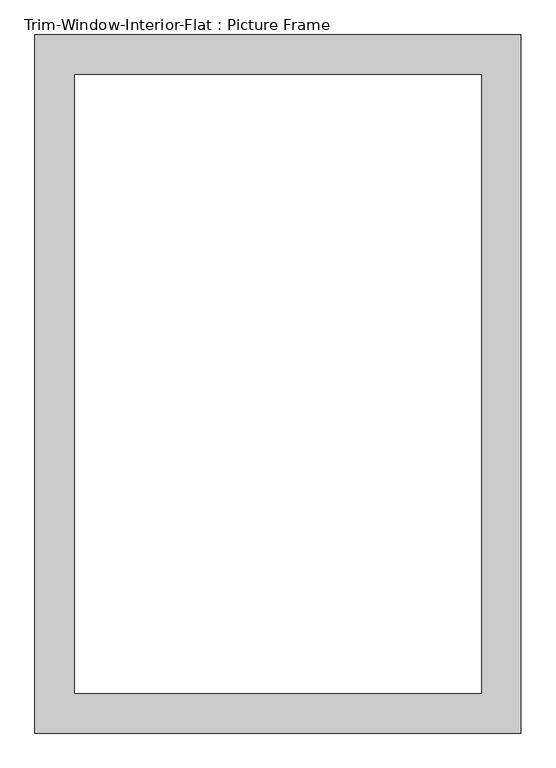
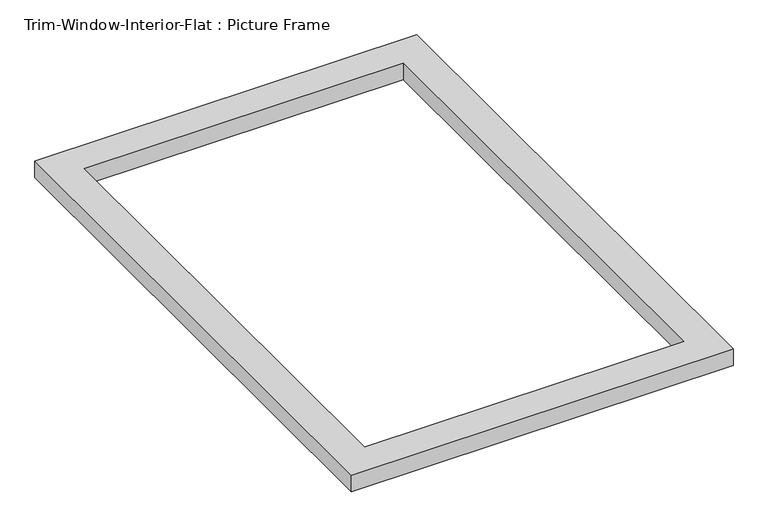
"""IFC4 building model written with IfcOpenShell, lengths in millimetres: proxy geometry, Trim-Window-Interior-Flat : Picture Frame."""

from ifc_helpers import new_model, si_unit, origin, origin_with_axes, place, context, project, spatial, polyline, outline, extrude, source, transform, mapped, element, save


def trim_window_interior_flat_picture_frame_dfd23ff3(model_context):
    return source(origin(), model_context, "Body", "SweptSolid", [
        extrude(outline(polyline([(349.25, -44.45), (-349.25, -44.45), (-349.25, 958.85), (349.25, 958.85), (349.25, -44.45)]), holes=[polyline([(292.1, 12.7), (292.1, 901.7), (-292.1, 901.7), (-292.1, 12.7), (292.1, 12.7)])]), origin_with_axes(), (0.0, 0.0, 1.0), 31.75),
    ])


if __name__ == "__main__":
    model = new_model("IFC4")
    model_context = context("Model", 3, world=origin())
    ifc_project = project(units=[si_unit("LENGTHUNIT", "METRE", prefix="MILLI")], contexts=[model_context])
    site = spatial("IfcSite", under=ifc_project)
    building = spatial("IfcBuilding", under=site)
    placement = place(None, origin())
    trim_window_interior_flat_picture_frame_shape = trim_window_interior_flat_picture_frame_dfd23ff3(model_context)
    element("IfcBuildingElementProxy", 1, Name="Trim-Window-Interior-Flat : Picture Frame", ObjectType="Trim-Window-Interior-Flat : Picture Frame", at=placement, inside=building, context=model_context, shape_type="MappedRepresentation", body=[
        mapped(trim_window_interior_flat_picture_frame_shape, transform((0.0, 0.0, 0.0), x_axis=(1.0, 0.0, 0.0), y_axis=(0.0, 1.0, 0.0), z_axis=(0.0, 0.0, 1.0))),
    ])
    save(model, "model.ifc")
